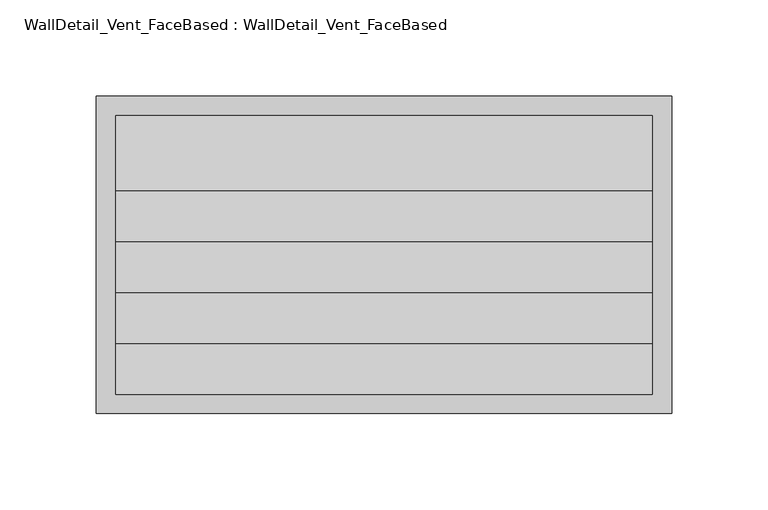
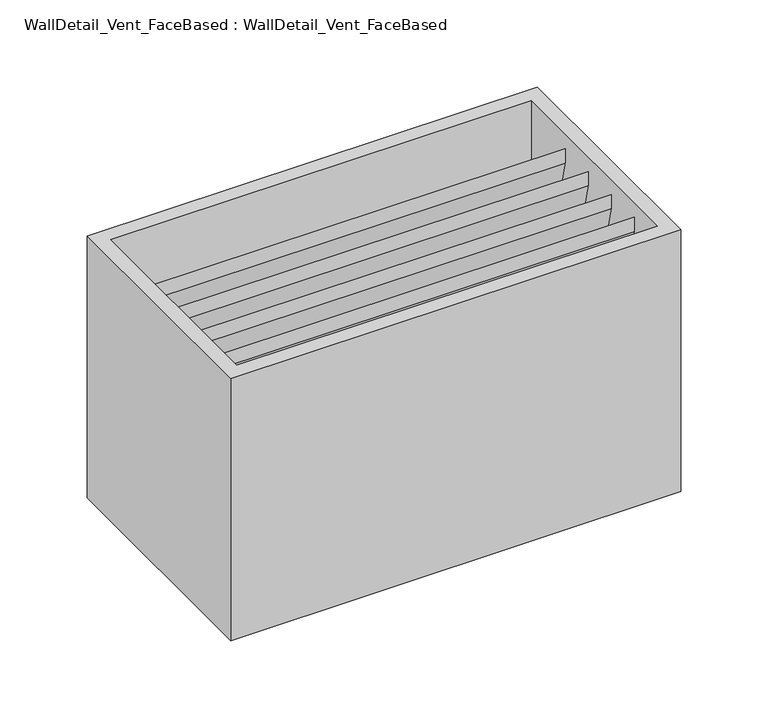
"""IFC4 building model written with IfcOpenShell, lengths in millimetres: air terminal geometry, WallDetail_Vent_FaceBased : WallDetail_Vent_FaceBased."""

from ifc_helpers import new_model, si_unit, frame, origin, place, context, project, spatial, polyline, outline, extrude, source, transform, mapped, element, save


def walldetail_vent_facebased_walldetail_vent_facebased_53f262f2(model_context):
    return source(origin(), model_context, "Body", "SweptSolid", [
        extrude(outline(polyline([(-614.0587516, -163.7634284), (-614.0587516, -173.7634284), (-653.0765301, -10.0), (-653.0765301, 0.0), (-614.0587516, -163.7634284)])), frame((-378.4395212, 0.0, 0.0), z_axis=(1.0, 0.0, 0.0), x_axis=(0.0, 1.0, 0.0)), (0.0, 0.0, 1.0), 278.4564699),
        extrude(outline(polyline([(-640.4877893, -163.7634284), (-640.4877893, -173.7634284), (-679.5055678, -10.0), (-679.5055678, 0.0), (-640.4877893, -163.7634284)])), frame((-378.4395212, 0.0, 0.0), z_axis=(1.0, 0.0, 0.0), x_axis=(0.0, 1.0, 0.0)), (0.0, 0.0, 1.0), 278.4564699),
        extrude(outline(polyline([(-666.9168269, -163.7634284), (-666.9168269, -173.7634284), (-705.9346054, -10.0), (-705.9346054, 0.0), (-666.9168269, -163.7634284)])), frame((-378.4395212, 0.0, 0.0), z_axis=(1.0, 0.0, 0.0), x_axis=(0.0, 1.0, 0.0)), (0.0, 0.0, 1.0), 278.4564699),
        extrude(outline(polyline([(-587.629714, -163.7634284), (-587.629714, -173.7634284), (-626.6474925, -10.0), (-626.6474925, 0.0), (-587.629714, -163.7634284)])), frame((-378.4395212, 0.0, 0.0), z_axis=(1.0, 0.0, 0.0), x_axis=(0.0, 1.0, 0.0)), (0.0, 0.0, 1.0), 278.4564699),
        extrude(outline(polyline([(-693.3458646, -163.7634284), (-693.3458646, -173.7634284), (-732.3636431, -10.0), (-732.3636431, 0.0), (-693.3458646, -163.7634284)])), frame((-378.4395212, 0.0, 0.0), z_axis=(1.0, 0.0, 0.0), x_axis=(0.0, 1.0, 0.0)), (0.0, 0.0, 1.0), 278.4564699),
        extrude(outline(polyline([(-89.9830513, -742.3636431), (-388.4395212, -742.3636431), (-388.4395212, -577.629714), (-89.9830513, -577.629714), (-89.9830513, -742.3636431)]), holes=[polyline([(-99.9830513, -732.3636431), (-99.9830513, -587.629714), (-378.4395212, -587.629714), (-378.4395212, -732.3636431), (-99.9830513, -732.3636431)])]), frame((0.0, 0.0, -173.7634284), z_axis=(0.0, 0.0, 1.0), x_axis=(1.0, 0.0, 0.0)), (0.0, 0.0, 1.0), 183.7634284),
    ])


if __name__ == "__main__":
    model = new_model("IFC4")
    model_context = context("Model", 3, world=origin())
    ifc_project = project(units=[si_unit("LENGTHUNIT", "METRE", prefix="MILLI")], contexts=[model_context])
    site = spatial("IfcSite", under=ifc_project)
    building = spatial("IfcBuilding", under=site)
    placement = place(None, origin())
    walldetail_vent_facebased_walldetail_vent_facebased_shape = walldetail_vent_facebased_walldetail_vent_facebased_53f262f2(model_context)
    element("IfcAirTerminal", 1, ObjectType="WallDetail_Vent_FaceBased : WallDetail_Vent_FaceBased", at=placement, inside=building, context=model_context, shape_type="MappedRepresentation", body=[
        mapped(walldetail_vent_facebased_walldetail_vent_facebased_shape, transform((0.0, 0.0, 0.0), x_axis=(1.0, 0.0, 0.0), y_axis=(0.0, 1.0, 0.0), z_axis=(0.0, 0.0, 1.0))),
    ])
    save(model, "model.ifc")
